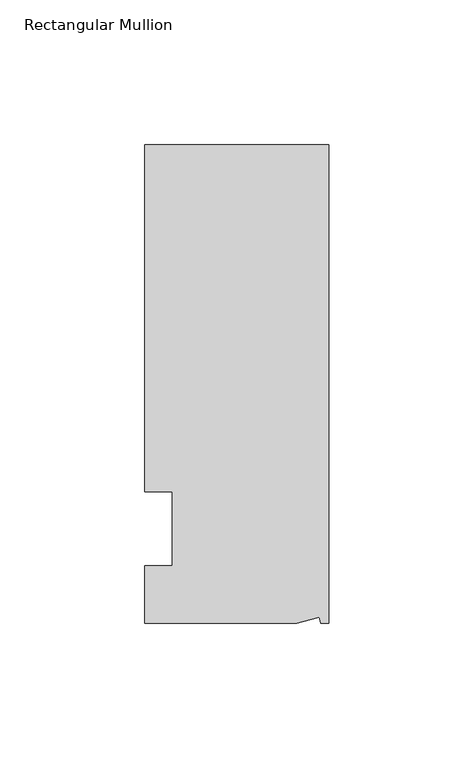
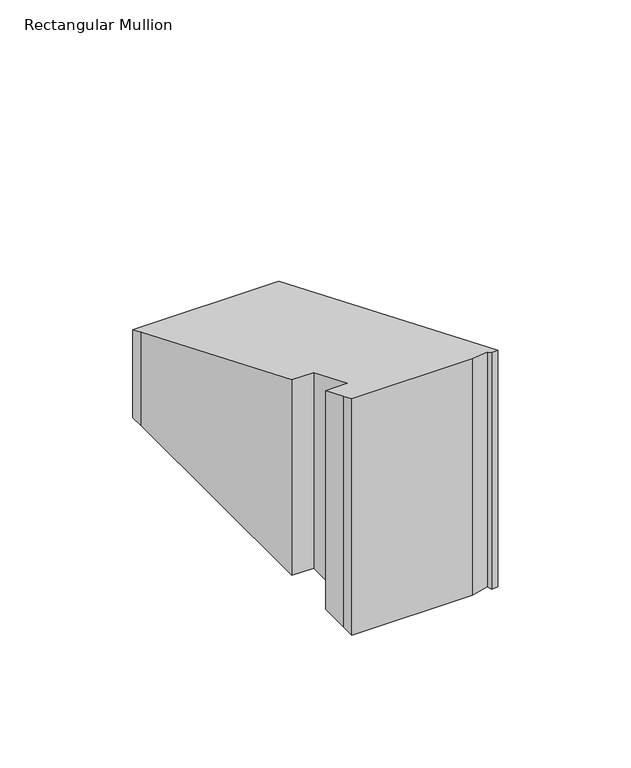
"""IFC4 building model written with IfcOpenShell, lengths in millimetres: member geometry, Rectangular Mullion."""

from ifc_helpers import new_model, si_unit, origin, place, context, project, spatial, faceted_brep, source, transform, mapped, element, save


def rectangular_mullion_1ee9c405(model_context):
    return source(origin(), model_context, "Body", "Brep", [
        faceted_brep([(0.0, 132.5561012, -95.25), (0.0, -32.5438988, -95.25), (-2.7630634, -32.5438988, -95.25), (-3.3223696, -30.4565397, -95.25), (-11.1125, -32.5438988, -95.25), (-63.5076469, -32.5438988, -95.25), (-63.5076469, -26.1938988, -95.25), (-63.5, -12.7, -95.25), (-53.975, -12.7, -95.25), (-53.975, 12.8488281, -95.25), (-63.5, 12.8488281, -95.25), (-63.5, 126.2061012, -95.25), (-63.5, 132.5561012, -95.25), (0.0, 132.5561012, -54.9065349), (0.0, -32.5438988, 13.4801243), (-63.5, 132.5561012, -54.9065349), (-63.5, 12.8488281, -5.3221589), (-63.5, 126.2061012, -52.2762788), (-53.975, 12.8488281, -5.3221589), (-53.975, -12.7, 5.2605122), (-63.5, -12.7, 5.2605122), (-63.5, -26.1938988, 10.8498681), (-11.1125, -32.5438988, 13.4801243), (-63.5076469, -32.5438988, 13.4801243), (-3.3223696, -30.4565397, 12.6155118), (-2.7630634, -32.5438988, 13.4801243)], [[[0, 1, 2, 3, 4, 5, 6, 7, 8, 9, 10, 11, 12]], [[13, 14, 1, 0]], [[15, 13, 0, 12]], [[16, 17, 11, 10]], [[18, 16, 10, 9]], [[19, 18, 9, 8]], [[20, 19, 8, 7]], [[21, 20, 7, 6]], [[22, 23, 5, 4]], [[24, 22, 4, 3]], [[25, 24, 3, 2]], [[14, 25, 2, 1]], [[13, 15, 17, 16, 18, 19, 20, 21, 23, 22, 24, 25, 14]], [[17, 15, 12, 11]], [[23, 21, 6, 5]]]),
    ])


if __name__ == "__main__":
    model = new_model("IFC4")
    model_context = context("Model", 3, world=origin())
    ifc_project = project(units=[si_unit("LENGTHUNIT", "METRE", prefix="MILLI")], contexts=[model_context])
    site = spatial("IfcSite", under=ifc_project)
    building = spatial("IfcBuilding", under=site)
    placement = place(None, origin())
    rectangular_mullion_shape = rectangular_mullion_1ee9c405(model_context)
    element("IfcMember", 1, ObjectType="Rectangular Mullion", at=placement, inside=building, context=model_context, shape_type="MappedRepresentation", body=[
        mapped(rectangular_mullion_shape, transform((0.0, 0.0, 0.0), x_axis=(1.0, 0.0, 0.0), y_axis=(0.0, 1.0, 0.0), z_axis=(0.0, 0.0, 1.0))),
    ])
    save(model, "model.ifc")
